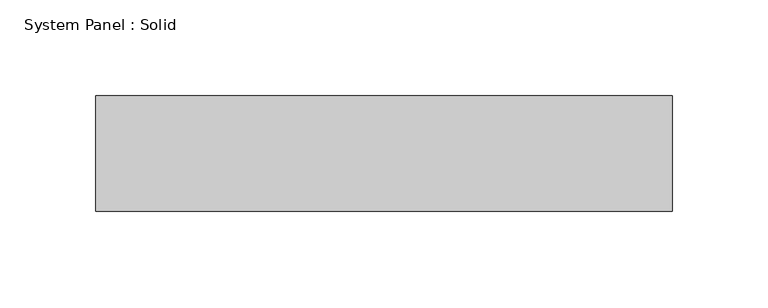
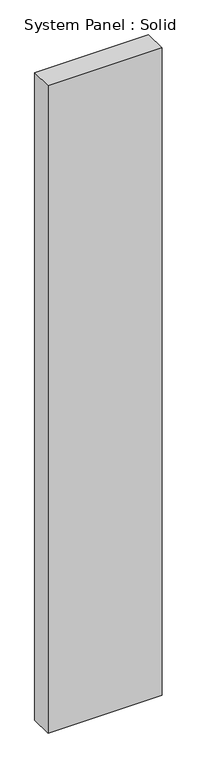
"""IFC4 building model written with IfcOpenShell, lengths in millimetres: plate geometry, System Panel : Solid."""

from ifc_helpers import new_model, si_unit, origin, origin_with_axes, place, context, project, spatial, polyline, outline, extrude, source, transform, mapped, element, save


def system_panel_solid_7f6d9137(model_context):
    return source(origin(), model_context, "Body", "SweptSolid", [
        extrude(outline(polyline([(150.0000001, -10.5), (-150.0000001, -10.5), (-150.0000001, 49.5), (150.0000001, 49.5), (150.0000001, -10.5)])), origin_with_axes(), (0.0, 0.0, 1.0), 1800.0),
    ])


if __name__ == "__main__":
    model = new_model("IFC4")
    model_context = context("Model", 3, world=origin())
    ifc_project = project(units=[si_unit("LENGTHUNIT", "METRE", prefix="MILLI")], contexts=[model_context])
    site = spatial("IfcSite", under=ifc_project)
    building = spatial("IfcBuilding", under=site)
    placement = place(None, origin())
    system_panel_solid_shape = system_panel_solid_7f6d9137(model_context)
    element("IfcPlate", 1, ObjectType="System Panel : Solid", at=placement, inside=building, context=model_context, shape_type="MappedRepresentation", body=[
        mapped(system_panel_solid_shape, transform((0.0, 0.0, 0.0), x_axis=(1.0, 0.0, 0.0), y_axis=(0.0, 1.0, 0.0), z_axis=(0.0, 0.0, 1.0))),
    ])
    save(model, "model.ifc")
